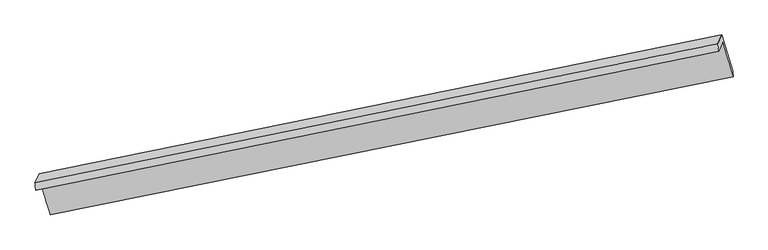
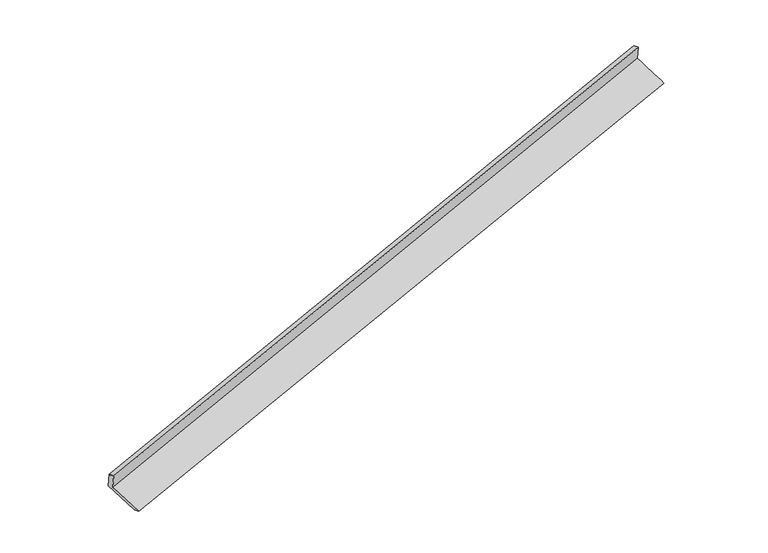
"""IFC4 building model written with IfcOpenShell, lengths in millimetres: proxy geometry."""

import ifcopenshell
import ifcopenshell.guid

model = None  # the IFC model being written
_history = None  # IfcOwnerHistory: only IFC2X3 demands one
_inside = {}  # id of a spatial element -> (the spatial element, [elements in it])
_under = {}  # id of a project, library or spatial element -> (it, [spatial elements below it])
_declared = {}  # id of a project -> (the project, [libraries it declares])
_typed = {}  # id of a type object -> (the type object, [elements of that type])
_made_of = {}  # id of a material, layer set ... -> (it, [elements and type objects made of it])


def new_model(schema):
    """Start an empty IFC model of exactly this schema.

    Asked for "IFC4X3", IfcOpenShell would pick the latest addendum, in which some entities
    have other attributes; the version numbers below select the first issue.
    IFC2X3 requires an IfcOwnerHistory on every rooted entity: one is made here for all.
    """
    global model, _history
    if schema == "IFC4X3":
        model = ifcopenshell.file(schema_version=(4, 3, 0, 0))
    else:
        model = ifcopenshell.file(schema=schema)
    _inside.clear()
    _under.clear()
    _declared.clear()
    _typed.clear()
    _made_of.clear()
    _history = None
    if model.schema == "IFC2X3":
        org = make("IfcOrganization", Name="unknown")
        user = make(
            "IfcPersonAndOrganization",
            ThePerson=make("IfcPerson", FamilyName="unknown"),
            TheOrganization=org,
        )
        app = make(
            "IfcApplication",
            ApplicationDeveloper=org,
            Version="unknown",
            ApplicationFullName="unknown",
            ApplicationIdentifier="unknown",
        )
        _history = make(
            "IfcOwnerHistory",
            OwningUser=user,
            OwningApplication=app,
            ChangeAction="ADDED",
            CreationDate=0,
        )
    return model


def make(cls, **values):
    """One entity of the class cls with the attributes given. An attribute that is None is left unset."""
    return model.create_entity(
        cls, **{name: value for name, value in values.items() if value is not None}
    )


def rooted(cls, **values):
    """An entity with a GlobalId (a new one), such as an element, a storey or a relation."""
    return make(cls, GlobalId=ifcopenshell.guid.new(), OwnerHistory=_history, **values)


def si_unit(unit_type, name, prefix=None):
    """IfcSIUnit, for example si_unit("LENGTHUNIT", "METRE", prefix="MILLI")."""
    return make("IfcSIUnit", UnitType=unit_type, Prefix=prefix, Name=name)


def assignment(units):
    """IfcUnitAssignment: the units of a project."""
    return None if units is None else make("IfcUnitAssignment", Units=units)


def point(xyz):
    """IfcCartesianPoint."""
    return None if xyz is None else make("IfcCartesianPoint", Coordinates=xyz)


def direction(xyz):
    """IfcDirection."""
    return None if xyz is None else make("IfcDirection", DirectionRatios=xyz)


def frame(location, z_axis=None, x_axis=None):
    """IfcAxis2Placement3D, a coordinate frame: its origin and axes. An axis left out is left unset."""
    return make(
        "IfcAxis2Placement3D",
        Location=point(location),
        Axis=direction(z_axis),
        RefDirection=direction(x_axis),
    )


def origin():
    """The frame at (0, 0, 0) with its axes left unset."""
    return frame((0.0, 0.0, 0.0))


def place(relative_to, where):
    """IfcLocalPlacement: puts the frame where relative to a parent placement (None: the world)."""
    return make(
        "IfcLocalPlacement", PlacementRelTo=relative_to, RelativePlacement=where
    )


def context(
    kind, dimensions, precision=None, world=None, true_north=None, identifier=None
):
    """IfcGeometricRepresentationContext, for example the 3D "Model" context."""
    return make(
        "IfcGeometricRepresentationContext",
        ContextIdentifier=identifier,
        ContextType=kind,
        CoordinateSpaceDimension=dimensions,
        Precision=precision,
        WorldCoordinateSystem=world,
        TrueNorth=true_north,
    )


def project(units=None, contexts=None):
    """IfcProject with its units and contexts."""
    return rooted(
        "IfcProject",
        Name="project",
        RepresentationContexts=contexts,
        UnitsInContext=assignment(units),
    )


def spatial(cls, under=None, at=None, **own):
    """A site, building, storey or space (cls), placed at a placement, below another one or the project."""
    s = rooted(cls, ObjectPlacement=at, **own)
    if under is not None:
        _under.setdefault(under.id(), (under, []))[1].append(s)
    return s


def shape(context_of_items, identifier, shape_type, items):
    """IfcShapeRepresentation: the items that make up one representation, for example the "Body"."""
    return make(
        "IfcShapeRepresentation",
        ContextOfItems=context_of_items,
        RepresentationIdentifier=identifier,
        RepresentationType=shape_type,
        Items=items,
    )


def source(mapping_origin, context_of_items, identifier, shape_type, items):
    """IfcRepresentationMap: a shape defined once, which mapped items show again and again."""
    return make(
        "IfcRepresentationMap",
        MappingOrigin=mapping_origin,
        MappedRepresentation=shape(context_of_items, identifier, shape_type, items),
    )


def transform(
    local_origin,
    x_axis=None,
    y_axis=None,
    z_axis=None,
    scale=None,
    scale2=None,
    scale3=None,
    uniform=True,
):
    """IfcCartesianTransformationOperator3D, or its non-uniform kind. x_axis, y_axis, z_axis: its Axis1, 2, 3."""
    if uniform:
        return make(
            "IfcCartesianTransformationOperator3D",
            Axis1=direction(x_axis),
            Axis2=direction(y_axis),
            LocalOrigin=point(local_origin),
            Scale=scale,
            Axis3=direction(z_axis),
        )
    return make(
        "IfcCartesianTransformationOperator3DnonUniform",
        Axis1=direction(x_axis),
        Axis2=direction(y_axis),
        LocalOrigin=point(local_origin),
        Scale=scale,
        Axis3=direction(z_axis),
        Scale2=scale2,
        Scale3=scale3,
    )


def mapped(mapping_source, mapping_target):
    """IfcMappedItem: shows the shape of a source again, moved by a transform."""
    return make(
        "IfcMappedItem", MappingSource=mapping_source, MappingTarget=mapping_target
    )


def made_of(thing, what):
    """Note that an element or type object is made of a material, layer set ...; save() writes the relation."""
    if what is not None:
        _made_of.setdefault(what.id(), (what, []))[1].append(thing)
    return thing


def element(
    cls,
    number,
    at=None,
    inside=None,
    cuts=None,
    type_object=None,
    material=None,
    context=None,
    identifier="Body",
    shape_type=None,
    held_by="IfcProductDefinitionShape",
    body=None,
    shapes=None,
    **own,
):
    """One element of the class cls, such as IfcWall. Its Tag is "e" and its number.

    at: its placement. inside: the storey or other place that contains it. cuts: it is an
    opening in that element (IfcRelVoidsElement). A single representation is given by context,
    identifier, shape_type and body (its items); several are given by shapes. held_by: the class
    of the entity that holds the representations. save() writes the other relations.
    """
    e = rooted(cls, Tag="e%d" % number, ObjectPlacement=at, **own)
    if body is not None:
        shapes = [shape(context, identifier, shape_type, body)]
    if shapes is not None:
        e.Representation = make(held_by, Representations=shapes)
    if inside is not None:
        _inside.setdefault(inside.id(), (inside, []))[1].append(e)
    if cuts is not None:
        rooted(
            "IfcRelVoidsElement", RelatingBuildingElement=cuts, RelatedOpeningElement=e
        )
    if type_object is not None:
        _typed.setdefault(type_object.id(), (type_object, []))[1].append(e)
    return made_of(e, material)


def aggregate(whole, parts):
    """IfcRelAggregates: a whole, such as a stair, and the parts it consists of."""
    return rooted("IfcRelAggregates", RelatingObject=whole, RelatedObjects=parts)


def save(model, path):
    """Write the relations noted so far, then the file.

    IfcRelAggregates (storeys below a building ...), IfcRelContainedInSpatialStructure (elements
    in a storey), IfcRelDefinesByType, IfcRelAssociatesMaterial and IfcRelDeclares: one each for
    every whole, place, type object, material and project.
    """
    for whole, parts in _under.values():
        aggregate(whole, parts)
    for where, things in _inside.values():
        rooted(
            "IfcRelContainedInSpatialStructure",
            RelatedElements=things,
            RelatingStructure=where,
        )
    for kind, things in _typed.values():
        rooted("IfcRelDefinesByType", RelatedObjects=things, RelatingType=kind)
    for what, things in _made_of.values():
        rooted("IfcRelAssociatesMaterial", RelatedObjects=things, RelatingMaterial=what)
    for by, libraries in _declared.values():
        rooted("IfcRelDeclares", RelatingContext=by, RelatedDefinitions=libraries)
    model.write(path)


def plane_surface(at):
    """IfcPlane: the flat surface through the origin of the frame at, square to its z axis."""
    return make("IfcPlane", Position=at)


def spline_surface(u_degree, v_degree, points, u_multiplicities, v_multiplicities, u_knots, v_knots, weights=None):
    """IfcBSplineSurfaceWithKnots; with weights, IfcRationalBSplineSurfaceWithKnots. points: one row for each step in u."""
    own = dict(
        UDegree=u_degree,
        VDegree=v_degree,
        ControlPointsList=[[point(p) for p in row] for row in points],
        SurfaceForm="UNSPECIFIED",
        UClosed=False,
        VClosed=False,
        SelfIntersect=False,
        UMultiplicities=u_multiplicities,
        VMultiplicities=v_multiplicities,
        UKnots=u_knots,
        VKnots=v_knots,
        KnotSpec="UNSPECIFIED",
    )
    if weights is None:
        return make("IfcBSplineSurfaceWithKnots", **own)
    return make("IfcRationalBSplineSurfaceWithKnots", WeightsData=weights, **own)


def advanced_brep(points, edges, surfaces, faces):
    """IfcAdvancedBrep: a solid bounded by faces that lie on surfaces and meet in shared edges.

    An edge is (start, end): straight between two places in points (the first is 0);
    or (start, end, curve); or (start, end, curve, False) where it runs against its curve.
    A face is (place in surfaces, loops), or (place, loops, False) where it looks against
    its surface's normal. A loop lists edges by number (the first is 1), with a minus sign
    where the edge is run from its end to its start. The first loop is the outer one.
    """
    corners = [point(p) for p in points]
    vertices = [make("IfcVertexPoint", VertexGeometry=c) for c in corners]
    made = []
    for start, end, *more in edges:
        made.append(
            make(
                "IfcEdgeCurve",
                EdgeStart=vertices[start],
                EdgeEnd=vertices[end],
                EdgeGeometry=more[0] if more else make("IfcPolyline", Points=[corners[start], corners[end]]),
                SameSense=more[1] if len(more) > 1 else True,
            )
        )
    hull = []
    for where, loops, *sense in faces:
        bounds = []
        for j, loop in enumerate(loops):
            ring = [make("IfcOrientedEdge", EdgeElement=made[abs(k) - 1], Orientation=k > 0) for k in loop]
            bounds.append(
                make(
                    "IfcFaceOuterBound" if j == 0 else "IfcFaceBound",
                    Bound=make("IfcEdgeLoop", EdgeList=ring),
                    Orientation=True,
                )
            )
        hull.append(make("IfcAdvancedFace", Bounds=bounds, FaceSurface=surfaces[where], SameSense=sense[0] if sense else True))
    return make("IfcAdvancedBrep", Outer=make("IfcClosedShell", CfsFaces=hull))


def generic_models_d22ab8d0(model_context):
    return source(origin(), model_context, "Body", "AdvancedBrep", [
        advanced_brep(
        [(-9716.7632499, -2846.5993759, 361.5448711), (-9634.2571204, -2664.6320078, -51.287394), (3841.2639584, 74.3832911, 3857.5333775), (3762.3556957, -99.6489772, 4252.3631555), (-9732.5815013, -2698.0019868, 311.1688813), (3747.2765657, 49.09736, 4202.200535), (-9650.0753717, -2516.0346187, -101.6633838), (3826.1848284, 223.1296283, 3807.370757), (-9442.3411037, -3176.6500329, -351.3316063), (4043.2160142, -483.3259605, 3539.3552205), (-9426.5228523, -3325.247422, -300.9556164), (4050.0129747, -605.1131079, 3599.7456343)],
        [
            (0, 1),
            (1, 2),
            (2, 3),
            (3, 0),
            (4, 0),
            (3, 5),
            (5, 4),
            (6, 4),
            (5, 7),
            (7, 6),
            (8, 6),
            (7, 9),
            (9, 8),
            (10, 8),
            (9, 11),
            (11, 10),
            (1, 10),
            (11, 2),
        ],
        [
            plane_surface(frame((-9675.5101851, -2755.6156919, 155.1287386), z_axis=(0.2809420032249995, -0.897661590448893, -0.33952210510758846), x_axis=(0.17989334496649237, 0.39675498877273285, -0.9001243599196254))),
            spline_surface(1, 1, [[(-9732.5815013, -2698.0019868, 311.1688813), (3747.2765657, 49.09736, 4202.200535)], [(-9716.7632499, -2846.5993759, 361.5448711), (3762.3556957, -99.6489772, 4252.3631555)]], [2, 2], [2, 2], [0.0, 1.0], [0.0, 1.0]),
            plane_surface(frame((-9691.3284365, -2607.0183027, 104.7527487), z_axis=(-0.2809419042027736, 0.8976616105959938, 0.3395221337779411), x_axis=(-0.17989334496638448, -0.39675498877269244, 0.9001243599196648))),
            spline_surface(1, 1, [[(-9442.3411037, -3176.6500329, -351.3316063), (4043.2160142, -483.3259605, 3539.3552205)], [(-9650.0753717, -2516.0346187, -101.6633838), (3826.1848284, 223.1296283, 3807.370757)]], [2, 2], [2, 2], [0.0, 1.0], [0.0, 1.0]),
            spline_surface(1, 1, [[(-9426.5228523, -3325.247422, -300.9556164), (4050.0129747, -605.1131079, 3599.7456343)], [(-9442.3411037, -3176.6500329, -351.3316063), (4043.2160142, -483.3259605, 3539.3552205)]], [2, 2], [2, 2], [0.0, 1.0], [0.0, 1.0]),
            spline_surface(1, 1, [[(-9634.2571204, -2664.6320078, -51.287394), (3841.2639584, 74.3832911, 3857.5333775)], [(-9426.5228523, -3325.247422, -300.9556164), (4050.0129747, -605.1131079, 3599.7456343)]], [2, 2], [2, 2], [0.0, 1.0], [0.0, 1.0]),
            plane_surface(frame((3878.3850062, -140.2462944, 3876.4281133), z_axis=(0.9441517147774967, 0.1871690190988714, 0.2711923630419541), x_axis=(-0.2760723164671219, 0.8986396592480848, 0.3409264420765329))),
            plane_surface(frame((-9600.4235332, -2871.1942407, -22.0873747), z_axis=(-0.9423400179608884, -0.19299757745078872, -0.2733993885282105), x_axis=(-0.17989334496643175, -0.39675498877277054, 0.9001243599196208))),
        ],
        [
            (0, [[1, 2, 3, 4]]),
            (1, [[5, -4, 6, 7]]),
            (2, [[8, -7, 9, 10]]),
            (3, [[11, -10, 12, 13]]),
            (4, [[14, -13, 15, 16]]),
            (5, [[17, -16, 18, -2]]),
            (6, [[-12, -9, -6, -3, -18, -15]]),
            (7, [[-1, -5, -8, -11, -14, -17]]),
        ],
    ),
    ])


if __name__ == "__main__":
    model = new_model("IFC4")
    model_context = context("Model", 3, world=origin())
    ifc_project = project(units=[si_unit("LENGTHUNIT", "METRE", prefix="MILLI")], contexts=[model_context])
    site = spatial("IfcSite", under=ifc_project)
    building = spatial("IfcBuilding", under=site)
    placement = place(None, origin())
    generic_models_shape = generic_models_d22ab8d0(model_context)
    element("IfcBuildingElementProxy", 1, Name="Generic Models", at=placement, inside=building, context=model_context, shape_type="MappedRepresentation", body=[
        mapped(generic_models_shape, transform((0.0, 0.0, 0.0), x_axis=(1.0, 0.0, 0.0), y_axis=(0.0, 1.0, 0.0), z_axis=(0.0, 0.0, 1.0))),
    ])
    save(model, "model.ifc")
